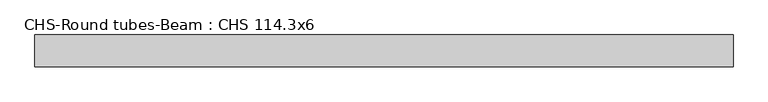
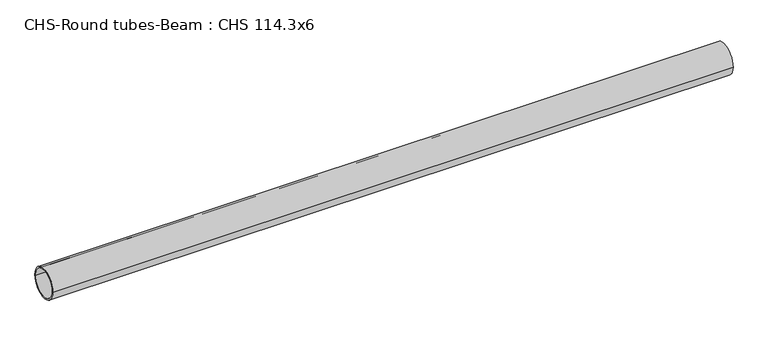
"""IFC4 building model written with IfcOpenShell, lengths in millimetres: beam geometry, CHS-Round tubes-Beam : CHS 114.3x6."""

from ifc_helpers import new_model, si_unit, point, frame, origin, origin_2d, place, context, project, spatial, circle_curve, trimmed, segment, composite_curve, outline, extrude, source, transform, mapped, element, save


def chs_round_tubes_beam_chs_114_3x6_eaea7f9f(model_context):
    return source(origin(), model_context, "Body", "SweptSolid", [
        extrude(outline(composite_curve([segment(trimmed(circle_curve(origin_2d(), 57.15), [point((57.15, 0.0))], [point((-57.15, 0.0))], False, "CARTESIAN"), True, "CONTINUOUS"), segment(trimmed(circle_curve(origin_2d(), 57.15), [point((-57.15, 0.0))], [point((57.15, 0.0))], False, "CARTESIAN"), True, "CONTINUOUS")], self_intersect=False), holes=[composite_curve([segment(trimmed(circle_curve(origin_2d(), 51.15), [point((51.15, 0.0))], [point((-51.15, 0.0))], True, "CARTESIAN"), True, "CONTINUOUS"), segment(trimmed(circle_curve(origin_2d(), 51.15), [point((-51.15, 0.0))], [point((51.15, 0.0))], True, "CARTESIAN"), True, "CONTINUOUS")], self_intersect=False)]), frame((-1246.5183002, 0.0, 0.0), z_axis=(1.0, 0.0, 0.0), x_axis=(0.0, 1.0, 0.0)), (0.0, 0.0, 1.0), 2518.8626882),
    ])


if __name__ == "__main__":
    model = new_model("IFC4")
    model_context = context("Model", 3, world=origin())
    ifc_project = project(units=[si_unit("LENGTHUNIT", "METRE", prefix="MILLI")], contexts=[model_context])
    site = spatial("IfcSite", under=ifc_project)
    building = spatial("IfcBuilding", under=site)
    placement = place(None, origin())
    chs_round_tubes_beam_chs_114_3x6_shape = chs_round_tubes_beam_chs_114_3x6_eaea7f9f(model_context)
    element("IfcBeam", 1, ObjectType="CHS-Round tubes-Beam : CHS 114.3x6", at=placement, inside=building, context=model_context, shape_type="MappedRepresentation", body=[
        mapped(chs_round_tubes_beam_chs_114_3x6_shape, transform((0.0, 0.0, 0.0), x_axis=(1.0, 0.0, 0.0), y_axis=(0.0, 1.0, 0.0), z_axis=(0.0, 0.0, 1.0))),
    ])
    save(model, "model.ifc")
